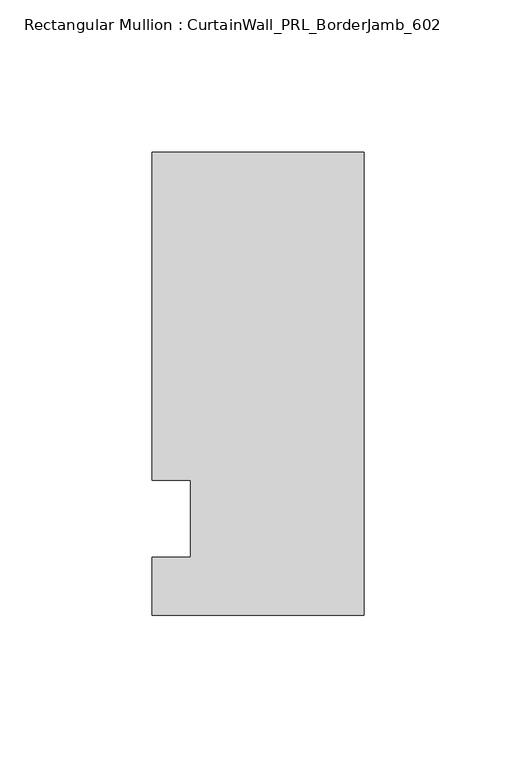
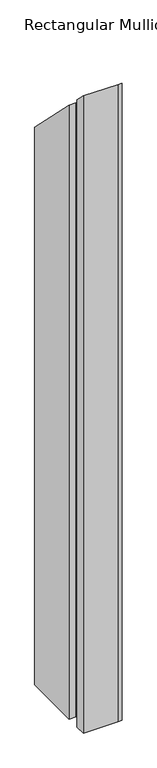
"""IFC4 building model written with IfcOpenShell, lengths in millimetres: member geometry, Rectangular Mullion : CurtainWall_PRL_BorderJamb_602."""

from ifc_helpers import new_model, si_unit, origin, place, context, project, spatial, faceted_brep, source, transform, mapped, element, save


def rectangular_mullion_curtainwall_prl_borderjamb_602_4bc13ac2(model_context):
    return source(origin(), model_context, "Body", "Brep", [
        faceted_brep([(-57.15, 12.7, -1187.45), (-69.85, 12.7, -1187.45), (-69.85, 120.65, -1187.45), (-6.35, 120.65, -1187.45), (0.0, 120.65, -1187.45), (0.0, -31.75, -1187.45), (-7.3958824, -31.75, -1187.45), (-69.85, -31.75, -1187.45), (-69.85, -12.7, -1187.45), (-57.15, -12.7, -1187.45), (-57.15, -12.7, 12.7), (-57.15, 12.7, -12.7), (-69.85, -12.7, 12.7), (-69.85, -31.75, 31.75), (-7.3958824, -31.75, 31.75), (0.0, -31.75, 31.75), (0.0, 120.65, -120.65), (-6.35, 120.65, -120.65), (-69.85, 120.65, -120.65), (-69.85, 12.7, -12.7)], [[[0, 1, 2, 3, 4, 5, 6, 7, 8, 9]], [[10, 11, 0, 9]], [[12, 10, 9, 8]], [[13, 12, 8, 7]], [[14, 13, 7, 6]], [[15, 14, 6, 5]], [[16, 15, 5, 4]], [[17, 16, 4, 3]], [[18, 17, 3, 2]], [[19, 18, 2, 1]], [[11, 19, 1, 0]], [[11, 10, 12, 13, 14, 15, 16, 17, 18, 19]]]),
    ])


if __name__ == "__main__":
    model = new_model("IFC4")
    model_context = context("Model", 3, world=origin())
    ifc_project = project(units=[si_unit("LENGTHUNIT", "METRE", prefix="MILLI")], contexts=[model_context])
    site = spatial("IfcSite", under=ifc_project)
    building = spatial("IfcBuilding", under=site)
    placement = place(None, origin())
    rectangular_mullion_curtainwall_prl_borderjamb_602_shape = rectangular_mullion_curtainwall_prl_borderjamb_602_4bc13ac2(model_context)
    element("IfcMember", 1, ObjectType="Rectangular Mullion : CurtainWall_PRL_BorderJamb_602", at=placement, inside=building, context=model_context, shape_type="MappedRepresentation", body=[
        mapped(rectangular_mullion_curtainwall_prl_borderjamb_602_shape, transform((0.0, 0.0, 0.0), x_axis=(1.0, 0.0, 0.0), y_axis=(0.0, 1.0, 0.0), z_axis=(0.0, 0.0, 1.0))),
    ])
    save(model, "model.ifc")
